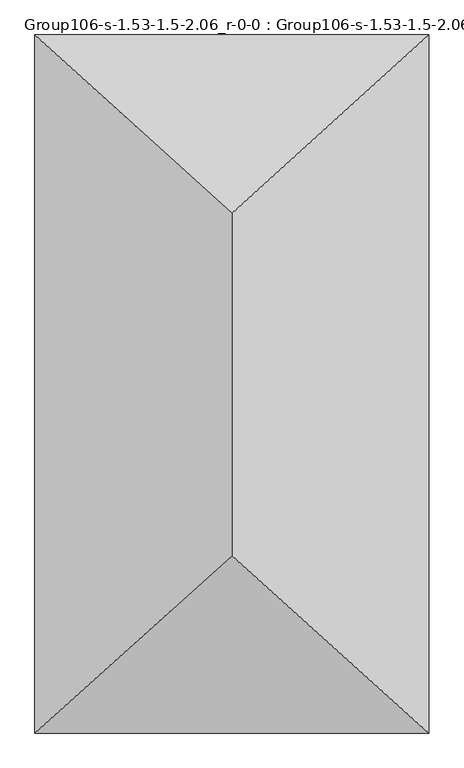
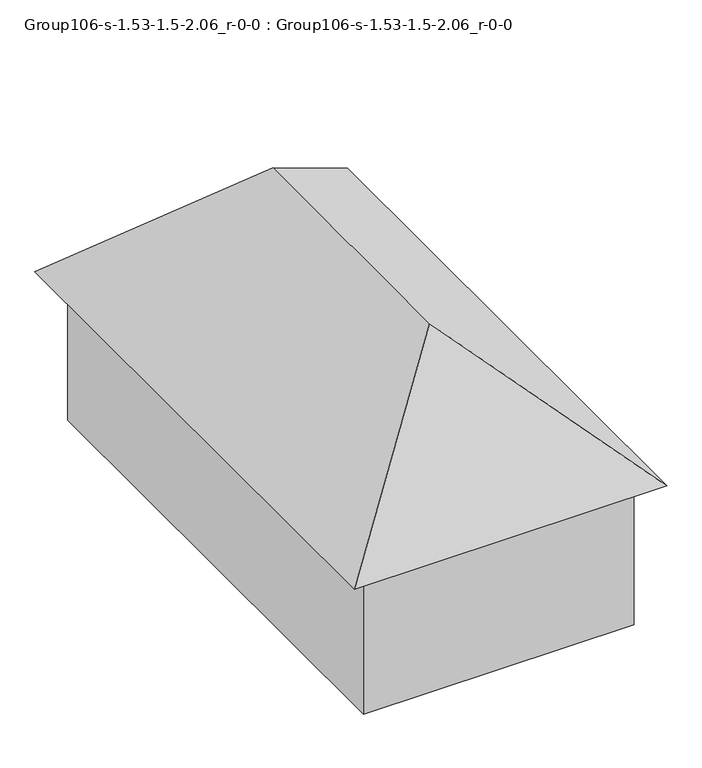
"""IFC4 building model written with IfcOpenShell, lengths in millimetres: geographic element geometry, Group106-s-1.53-1.5-2.06_r-0-0 : Group106-s-1.53-1.5-2.06_r-0-0."""

from ifc_helpers import new_model, si_unit, origin, place, context, project, spatial, triangles, source, transform, mapped, element, save


def group106_s_1_53_1_5_2_06_r_0_0_group106_s_1_53_1_5_2_06_r_0_e6ac4ddd(model_context):
    return source(origin(), model_context, "Body", "Tessellation", [
        triangles([(9065.9698792, 16567.8782501, 4717.5675682), (652.6682287, 16567.8782501, 0.0), (652.6682287, 16567.8782501, 4717.5675682), (9065.9698792, 16567.8782501, 0.0), (9065.9698792, 639.2232645, 0.0), (652.6682287, 639.2232645, 4717.5675682), (652.6682287, 639.2232645, 0.0), (9065.9698792, 639.2232645, 4717.5675682), (4859.3190903, 12805.7834656, 9100.1329102), (9718.6381805, 17207.1020233, 4717.5675682), (0.0, 17207.1020233, 4717.5675682), (9718.6381805, 0.0, 4717.5675682), (4859.3190903, 4373.0197037, 9100.1329102), (0.0, 0.0, 4717.5675682)], [[1, 2, 3], [2, 1, 4], [5, 6, 7], [6, 5, 8], [5, 2, 4], [2, 5, 7], [6, 2, 7], [2, 6, 3], [1, 5, 4], [5, 1, 8], [6, 1, 3], [1, 6, 8], [9, 10, 11], [12, 13, 14], [12, 11, 10], [11, 12, 14], [14, 9, 11], [9, 14, 13], [9, 12, 10], [12, 9, 13]]),
    ])


if __name__ == "__main__":
    model = new_model("IFC4")
    model_context = context("Model", 3, world=origin())
    ifc_project = project(units=[si_unit("LENGTHUNIT", "METRE", prefix="MILLI")], contexts=[model_context])
    site = spatial("IfcSite", under=ifc_project)
    building = spatial("IfcBuilding", under=site)
    placement = place(None, origin())
    group106_s_1_53_1_5_2_06_r_0_0_group106_s_1_53_1_5_2_06_r_0_shape = group106_s_1_53_1_5_2_06_r_0_0_group106_s_1_53_1_5_2_06_r_0_e6ac4ddd(model_context)
    element("IfcGeographicElement", 1, ObjectType="Group106-s-1.53-1.5-2.06_r-0-0 : Group106-s-1.53-1.5-2.06_r-0-0", at=placement, inside=building, context=model_context, shape_type="MappedRepresentation", body=[
        mapped(group106_s_1_53_1_5_2_06_r_0_0_group106_s_1_53_1_5_2_06_r_0_shape, transform((0.0, 0.0, 0.0), x_axis=(1.0, 0.0, 0.0), y_axis=(0.0, 1.0, 0.0), z_axis=(0.0, 0.0, 1.0))),
    ])
    save(model, "model.ifc")
